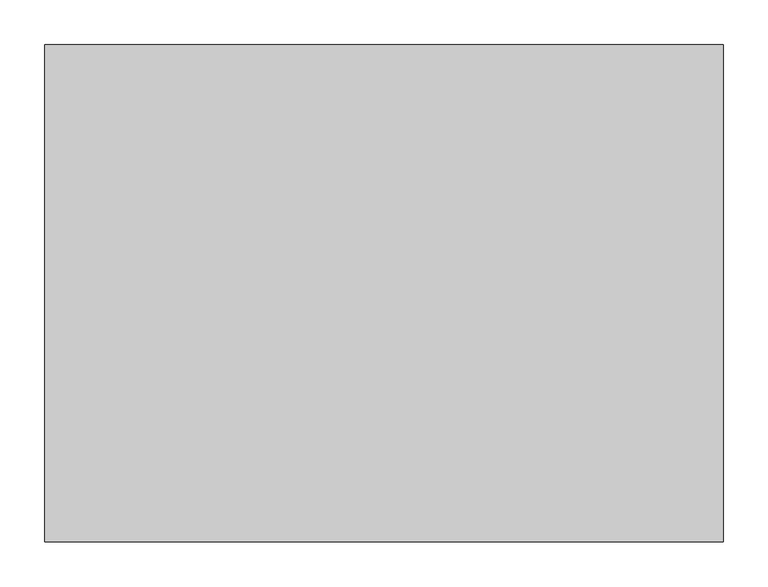
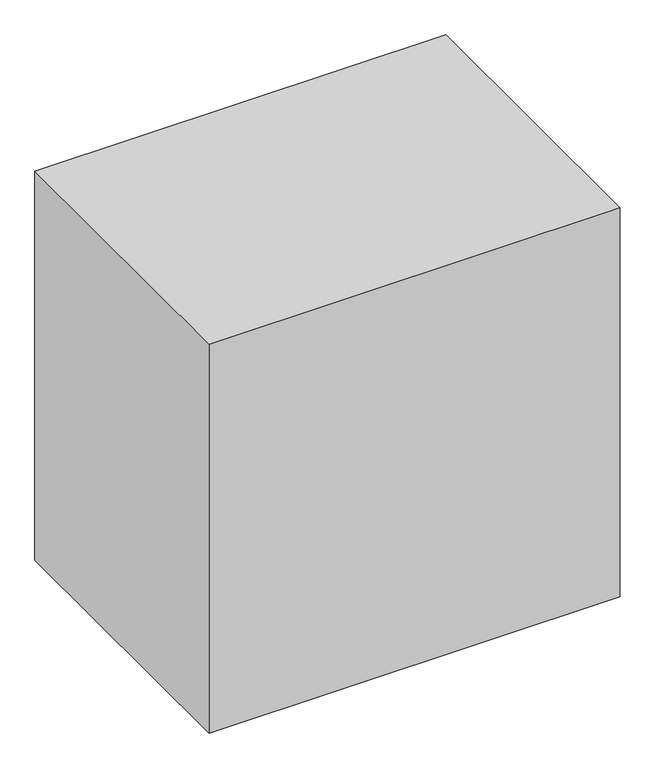
"""IFC4 building model written with IfcOpenShell, lengths in millimetres: furniture geometry."""

from ifc_helpers import new_model, si_unit, frame, origin, place, context, project, spatial, polyline, outline, extrude, source, transform, mapped, element, save


def furniture_768dc7af(model_context):
    return source(origin(), model_context, "Body", "SweptSolid", [
        extrude(outline(polyline([(-209.8622951, 406.4), (-209.8622951, -152.4), (-971.8622951, -152.4), (-971.8622951, 406.4), (-209.8622951, 406.4)])), frame((0.0, 0.0, 101.6006878), z_axis=(0.0, 0.0, 1.0), x_axis=(1.0, 0.0, 0.0)), (0.0, 0.0, 1.0), 761.9993122),
    ])


if __name__ == "__main__":
    model = new_model("IFC4")
    model_context = context("Model", 3, world=origin())
    ifc_project = project(units=[si_unit("LENGTHUNIT", "METRE", prefix="MILLI")], contexts=[model_context])
    site = spatial("IfcSite", under=ifc_project)
    building = spatial("IfcBuilding", under=site)
    placement = place(None, origin())
    furniture_shape = furniture_768dc7af(model_context)
    element("IfcFurniture", 1, at=placement, inside=building, context=model_context, shape_type="MappedRepresentation", body=[
        mapped(furniture_shape, transform((0.0, 0.0, 0.0), x_axis=(1.0, 0.0, 0.0), y_axis=(0.0, 1.0, 0.0), z_axis=(0.0, 0.0, 1.0))),
    ])
    save(model, "model.ifc")
